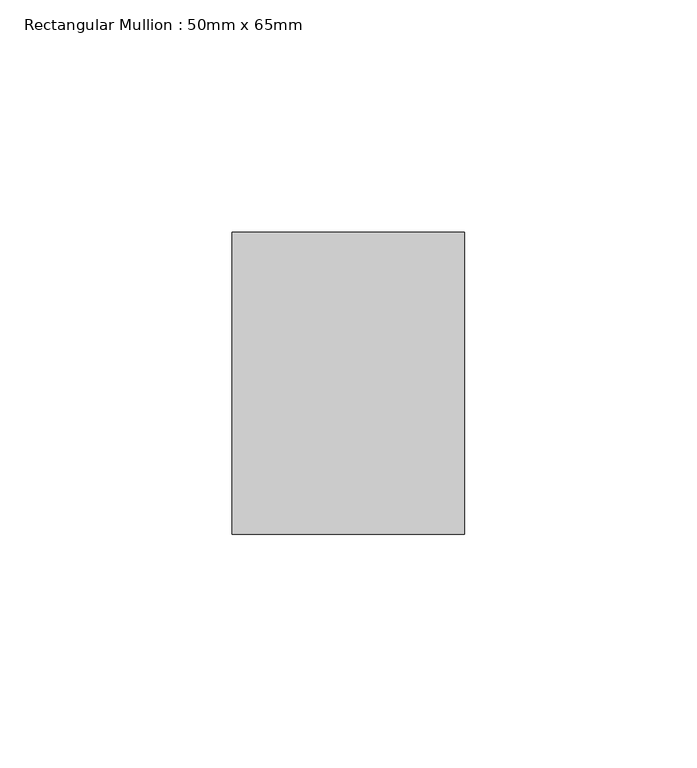
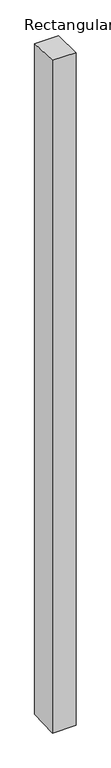
"""IFC4 building model written with IfcOpenShell, lengths in millimetres: member geometry, Rectangular Mullion : 50mm x 65mm."""

from ifc_helpers import new_model, si_unit, origin, place, context, project, spatial, faceted_brep, source, transform, mapped, element, save


def rectangular_mullion_50mm_x_65mm_174d7acf(model_context):
    return source(origin(), model_context, "Body", "Brep", [
        faceted_brep([(-25.0, 32.5, -0.8979608), (25.0, 32.5, -0.8979662), (25.0, 32.5, -1498.8580585), (-25.0, 32.5, -1498.8580654), (-25.0, -32.5, 0.8979662), (-25.0, -32.5, -1501.1419661), (25.0, -32.5, 0.8979608), (25.0, -32.5, -1501.1419592)], [[[0, 1, 2, 3]], [[4, 0, 3, 5]], [[6, 4, 5, 7]], [[1, 6, 7, 2]], [[1, 0, 4, 6]], [[2, 7, 5, 3]]]),
    ])


if __name__ == "__main__":
    model = new_model("IFC4")
    model_context = context("Model", 3, world=origin())
    ifc_project = project(units=[si_unit("LENGTHUNIT", "METRE", prefix="MILLI")], contexts=[model_context])
    site = spatial("IfcSite", under=ifc_project)
    building = spatial("IfcBuilding", under=site)
    placement = place(None, origin())
    rectangular_mullion_50mm_x_65mm_shape = rectangular_mullion_50mm_x_65mm_174d7acf(model_context)
    element("IfcMember", 1, ObjectType="Rectangular Mullion : 50mm x 65mm", at=placement, inside=building, context=model_context, shape_type="MappedRepresentation", body=[
        mapped(rectangular_mullion_50mm_x_65mm_shape, transform((0.0, 0.0, 0.0), x_axis=(1.0, 0.0, 0.0), y_axis=(0.0, 1.0, 0.0), z_axis=(0.0, 0.0, 1.0))),
    ])
    save(model, "model.ifc")
